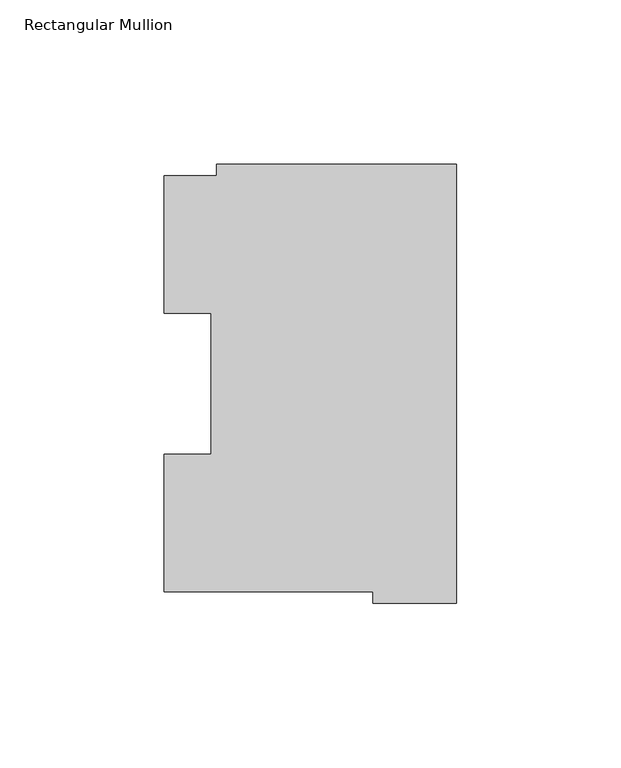
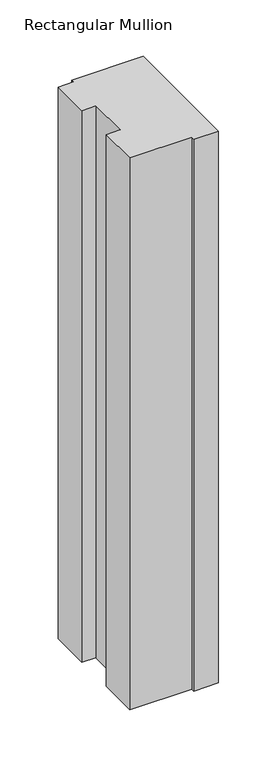
"""IFC4 building model written with IfcOpenShell, lengths in millimetres: member geometry, Rectangular Mullion."""

from ifc_helpers import new_model, si_unit, frame, origin, place, context, project, spatial, polyline, outline, extrude, source, transform, mapped, element, save


def rectangular_mullion_4ed7e487(model_context):
    return source(origin(), model_context, "Body", "SweptSolid", [
        extrude(outline(polyline([(-88.8772701, 126.75235), (-73.025, 126.75235), (-73.025, 130.1706837), (0.0, 130.1706837), (0.0, -3.193538), (-25.3772701, -3.193538), (-25.3772701, 0.26035), (-88.8772701, 0.26035), (-88.8772701, 42.0334858), (-74.5947228, 42.0334858), (-74.5947228, 84.93125), (-88.8772701, 84.93125), (-88.8772701, 126.75235)])), frame((0.0, 0.0, -596.9063826), z_axis=(0.0, 0.0, 1.0), x_axis=(1.0, 0.0, 0.0)), (0.0, 0.0, 1.0), 596.9063826),
    ])


if __name__ == "__main__":
    model = new_model("IFC4")
    model_context = context("Model", 3, world=origin())
    ifc_project = project(units=[si_unit("LENGTHUNIT", "METRE", prefix="MILLI")], contexts=[model_context])
    site = spatial("IfcSite", under=ifc_project)
    building = spatial("IfcBuilding", under=site)
    placement = place(None, origin())
    rectangular_mullion_shape = rectangular_mullion_4ed7e487(model_context)
    element("IfcMember", 1, ObjectType="Rectangular Mullion", at=placement, inside=building, context=model_context, shape_type="MappedRepresentation", body=[
        mapped(rectangular_mullion_shape, transform((0.0, 0.0, 0.0), x_axis=(1.0, 0.0, 0.0), y_axis=(0.0, 1.0, 0.0), z_axis=(0.0, 0.0, 1.0))),
    ])
    save(model, "model.ifc")
